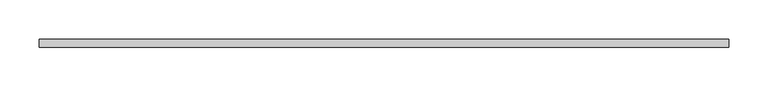
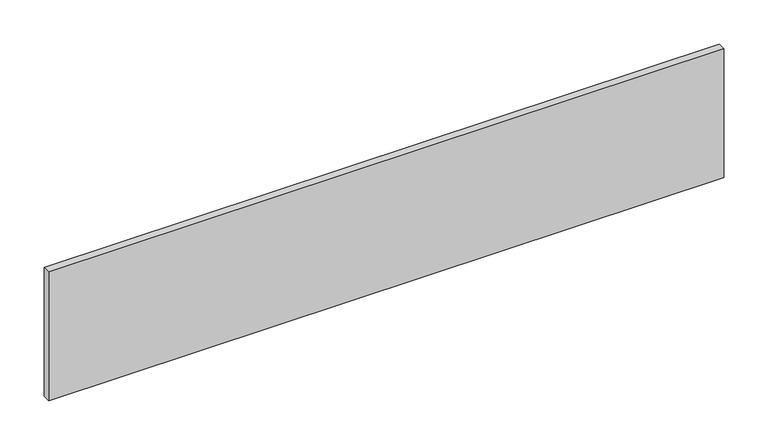
"""IFC4 building model written with IfcOpenShell, lengths in millimetres: furniture geometry."""

from ifc_helpers import new_model, si_unit, origin, origin_with_axes, place, context, project, spatial, polyline, outline, extrude, source, transform, mapped, element, save


def furniture_f8d49b55(model_context):
    return source(origin(), model_context, "Body", "SweptSolid", [
        extrude(outline(polyline([(897.763, 3.3306702), (897.763, -7.1693298), (16.637, -7.1693298), (16.637, 3.3306702), (897.763, 3.3306702)])), origin_with_axes(), (0.0, 0.0, 1.0), 177.8),
    ])


if __name__ == "__main__":
    model = new_model("IFC4")
    model_context = context("Model", 3, world=origin())
    ifc_project = project(units=[si_unit("LENGTHUNIT", "METRE", prefix="MILLI")], contexts=[model_context])
    site = spatial("IfcSite", under=ifc_project)
    building = spatial("IfcBuilding", under=site)
    placement = place(None, origin())
    furniture_shape = furniture_f8d49b55(model_context)
    element("IfcFurniture", 1, at=placement, inside=building, context=model_context, shape_type="MappedRepresentation", body=[
        mapped(furniture_shape, transform((0.0, 0.0, 0.0), x_axis=(1.0, 0.0, 0.0), y_axis=(0.0, 1.0, 0.0), z_axis=(0.0, 0.0, 1.0))),
    ])
    save(model, "model.ifc")
